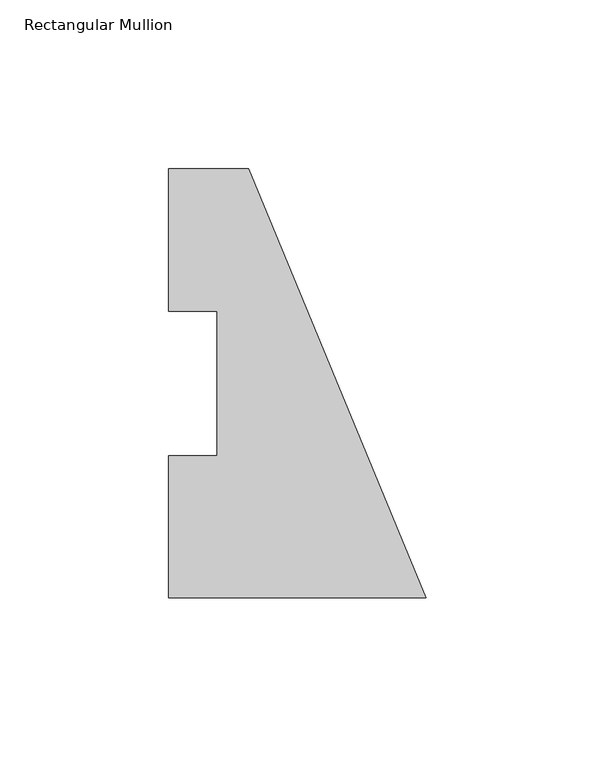
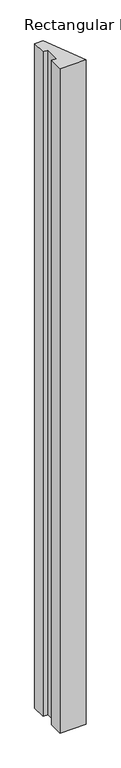
"""IFC4 building model written with IfcOpenShell, lengths in millimetres: member geometry, Rectangular Mullion."""

import ifcopenshell
import ifcopenshell.guid

model = None  # the IFC model being written
_history = None  # IfcOwnerHistory: only IFC2X3 demands one
_inside = {}  # id of a spatial element -> (the spatial element, [elements in it])
_under = {}  # id of a project, library or spatial element -> (it, [spatial elements below it])
_declared = {}  # id of a project -> (the project, [libraries it declares])
_typed = {}  # id of a type object -> (the type object, [elements of that type])
_made_of = {}  # id of a material, layer set ... -> (it, [elements and type objects made of it])


def new_model(schema):
    """Start an empty IFC model of exactly this schema.

    Asked for "IFC4X3", IfcOpenShell would pick the latest addendum, in which some entities
    have other attributes; the version numbers below select the first issue.
    IFC2X3 requires an IfcOwnerHistory on every rooted entity: one is made here for all.
    """
    global model, _history
    if schema == "IFC4X3":
        model = ifcopenshell.file(schema_version=(4, 3, 0, 0))
    else:
        model = ifcopenshell.file(schema=schema)
    _inside.clear()
    _under.clear()
    _declared.clear()
    _typed.clear()
    _made_of.clear()
    _history = None
    if model.schema == "IFC2X3":
        org = make("IfcOrganization", Name="unknown")
        user = make(
            "IfcPersonAndOrganization",
            ThePerson=make("IfcPerson", FamilyName="unknown"),
            TheOrganization=org,
        )
        app = make(
            "IfcApplication",
            ApplicationDeveloper=org,
            Version="unknown",
            ApplicationFullName="unknown",
            ApplicationIdentifier="unknown",
        )
        _history = make(
            "IfcOwnerHistory",
            OwningUser=user,
            OwningApplication=app,
            ChangeAction="ADDED",
            CreationDate=0,
        )
    return model


def make(cls, **values):
    """One entity of the class cls with the attributes given. An attribute that is None is left unset."""
    return model.create_entity(
        cls, **{name: value for name, value in values.items() if value is not None}
    )


def rooted(cls, **values):
    """An entity with a GlobalId (a new one), such as an element, a storey or a relation."""
    return make(cls, GlobalId=ifcopenshell.guid.new(), OwnerHistory=_history, **values)


def si_unit(unit_type, name, prefix=None):
    """IfcSIUnit, for example si_unit("LENGTHUNIT", "METRE", prefix="MILLI")."""
    return make("IfcSIUnit", UnitType=unit_type, Prefix=prefix, Name=name)


def assignment(units):
    """IfcUnitAssignment: the units of a project."""
    return None if units is None else make("IfcUnitAssignment", Units=units)


def point(xyz):
    """IfcCartesianPoint."""
    return None if xyz is None else make("IfcCartesianPoint", Coordinates=xyz)


def direction(xyz):
    """IfcDirection."""
    return None if xyz is None else make("IfcDirection", DirectionRatios=xyz)


def frame(location, z_axis=None, x_axis=None):
    """IfcAxis2Placement3D, a coordinate frame: its origin and axes. An axis left out is left unset."""
    return make(
        "IfcAxis2Placement3D",
        Location=point(location),
        Axis=direction(z_axis),
        RefDirection=direction(x_axis),
    )


def origin():
    """The frame at (0, 0, 0) with its axes left unset."""
    return frame((0.0, 0.0, 0.0))


def place(relative_to, where):
    """IfcLocalPlacement: puts the frame where relative to a parent placement (None: the world)."""
    return make(
        "IfcLocalPlacement", PlacementRelTo=relative_to, RelativePlacement=where
    )


def context(
    kind, dimensions, precision=None, world=None, true_north=None, identifier=None
):
    """IfcGeometricRepresentationContext, for example the 3D "Model" context."""
    return make(
        "IfcGeometricRepresentationContext",
        ContextIdentifier=identifier,
        ContextType=kind,
        CoordinateSpaceDimension=dimensions,
        Precision=precision,
        WorldCoordinateSystem=world,
        TrueNorth=true_north,
    )


def project(units=None, contexts=None):
    """IfcProject with its units and contexts."""
    return rooted(
        "IfcProject",
        Name="project",
        RepresentationContexts=contexts,
        UnitsInContext=assignment(units),
    )


def spatial(cls, under=None, at=None, **own):
    """A site, building, storey or space (cls), placed at a placement, below another one or the project."""
    s = rooted(cls, ObjectPlacement=at, **own)
    if under is not None:
        _under.setdefault(under.id(), (under, []))[1].append(s)
    return s


def polyline(points):
    """IfcPolyline through the points."""
    return make("IfcPolyline", Points=[point(p) for p in points])


def outline(outer, holes=None, kind="AREA"):
    """IfcArbitraryClosedProfileDef: a profile drawn as a closed curve; with holes, ...WithVoids."""
    if holes is None:
        return make("IfcArbitraryClosedProfileDef", ProfileType=kind, OuterCurve=outer)
    return make(
        "IfcArbitraryProfileDefWithVoids",
        ProfileType=kind,
        OuterCurve=outer,
        InnerCurves=holes,
    )


def extrude(swept, where, along, depth):
    """IfcExtrudedAreaSolid: the profile swept, set in the frame where, extruded along a direction by depth."""
    return make(
        "IfcExtrudedAreaSolid",
        SweptArea=swept,
        Position=where,
        ExtrudedDirection=direction(along),
        Depth=depth,
    )


def shape(context_of_items, identifier, shape_type, items):
    """IfcShapeRepresentation: the items that make up one representation, for example the "Body"."""
    return make(
        "IfcShapeRepresentation",
        ContextOfItems=context_of_items,
        RepresentationIdentifier=identifier,
        RepresentationType=shape_type,
        Items=items,
    )


def source(mapping_origin, context_of_items, identifier, shape_type, items):
    """IfcRepresentationMap: a shape defined once, which mapped items show again and again."""
    return make(
        "IfcRepresentationMap",
        MappingOrigin=mapping_origin,
        MappedRepresentation=shape(context_of_items, identifier, shape_type, items),
    )


def transform(
    local_origin,
    x_axis=None,
    y_axis=None,
    z_axis=None,
    scale=None,
    scale2=None,
    scale3=None,
    uniform=True,
):
    """IfcCartesianTransformationOperator3D, or its non-uniform kind. x_axis, y_axis, z_axis: its Axis1, 2, 3."""
    if uniform:
        return make(
            "IfcCartesianTransformationOperator3D",
            Axis1=direction(x_axis),
            Axis2=direction(y_axis),
            LocalOrigin=point(local_origin),
            Scale=scale,
            Axis3=direction(z_axis),
        )
    return make(
        "IfcCartesianTransformationOperator3DnonUniform",
        Axis1=direction(x_axis),
        Axis2=direction(y_axis),
        LocalOrigin=point(local_origin),
        Scale=scale,
        Axis3=direction(z_axis),
        Scale2=scale2,
        Scale3=scale3,
    )


def mapped(mapping_source, mapping_target):
    """IfcMappedItem: shows the shape of a source again, moved by a transform."""
    return make(
        "IfcMappedItem", MappingSource=mapping_source, MappingTarget=mapping_target
    )


def made_of(thing, what):
    """Note that an element or type object is made of a material, layer set ...; save() writes the relation."""
    if what is not None:
        _made_of.setdefault(what.id(), (what, []))[1].append(thing)
    return thing


def element(
    cls,
    number,
    at=None,
    inside=None,
    cuts=None,
    type_object=None,
    material=None,
    context=None,
    identifier="Body",
    shape_type=None,
    held_by="IfcProductDefinitionShape",
    body=None,
    shapes=None,
    **own,
):
    """One element of the class cls, such as IfcWall. Its Tag is "e" and its number.

    at: its placement. inside: the storey or other place that contains it. cuts: it is an
    opening in that element (IfcRelVoidsElement). A single representation is given by context,
    identifier, shape_type and body (its items); several are given by shapes. held_by: the class
    of the entity that holds the representations. save() writes the other relations.
    """
    e = rooted(cls, Tag="e%d" % number, ObjectPlacement=at, **own)
    if body is not None:
        shapes = [shape(context, identifier, shape_type, body)]
    if shapes is not None:
        e.Representation = make(held_by, Representations=shapes)
    if inside is not None:
        _inside.setdefault(inside.id(), (inside, []))[1].append(e)
    if cuts is not None:
        rooted(
            "IfcRelVoidsElement", RelatingBuildingElement=cuts, RelatedOpeningElement=e
        )
    if type_object is not None:
        _typed.setdefault(type_object.id(), (type_object, []))[1].append(e)
    return made_of(e, material)


def aggregate(whole, parts):
    """IfcRelAggregates: a whole, such as a stair, and the parts it consists of."""
    return rooted("IfcRelAggregates", RelatingObject=whole, RelatedObjects=parts)


def save(model, path):
    """Write the relations noted so far, then the file.

    IfcRelAggregates (storeys below a building ...), IfcRelContainedInSpatialStructure (elements
    in a storey), IfcRelDefinesByType, IfcRelAssociatesMaterial and IfcRelDeclares: one each for
    every whole, place, type object, material and project.
    """
    for whole, parts in _under.values():
        aggregate(whole, parts)
    for where, things in _inside.values():
        rooted(
            "IfcRelContainedInSpatialStructure",
            RelatedElements=things,
            RelatingStructure=where,
        )
    for kind, things in _typed.values():
        rooted("IfcRelDefinesByType", RelatedObjects=things, RelatingType=kind)
    for what, things in _made_of.values():
        rooted("IfcRelAssociatesMaterial", RelatedObjects=things, RelatingMaterial=what)
    for by, libraries in _declared.values():
        rooted("IfcRelDeclares", RelatingContext=by, RelatedDefinitions=libraries)
    model.write(path)


def rectangular_mullion_31ccd389(model_context):
    return source(origin(), model_context, "Body", "SweptSolid", [
        extrude(outline(polyline([(-76.2, -0.2913062), (-76.2, 41.7837937), (-61.9125, 41.7837937), (-61.9125, 84.6335937), (-76.2, 84.6335937), (-76.2, 126.7086938), (-52.6051224, 126.7086938), (0.0, -0.2913062), (-76.2, -0.2913062)])), frame((0.0, 0.0, -2044.7176747), z_axis=(0.0, 0.0, 1.0), x_axis=(1.0, 0.0, 0.0)), (0.0, 0.0, 1.0), 2044.7176747),
    ])


if __name__ == "__main__":
    model = new_model("IFC4")
    model_context = context("Model", 3, world=origin())
    ifc_project = project(units=[si_unit("LENGTHUNIT", "METRE", prefix="MILLI")], contexts=[model_context])
    site = spatial("IfcSite", under=ifc_project)
    building = spatial("IfcBuilding", under=site)
    placement = place(None, origin())
    rectangular_mullion_shape = rectangular_mullion_31ccd389(model_context)
    element("IfcMember", 1, ObjectType="Rectangular Mullion", at=placement, inside=building, context=model_context, shape_type="MappedRepresentation", body=[
        mapped(rectangular_mullion_shape, transform((0.0, 0.0, 0.0), x_axis=(1.0, 0.0, 0.0), y_axis=(0.0, 1.0, 0.0), z_axis=(0.0, 0.0, 1.0))),
    ])
    save(model, "model.ifc")
